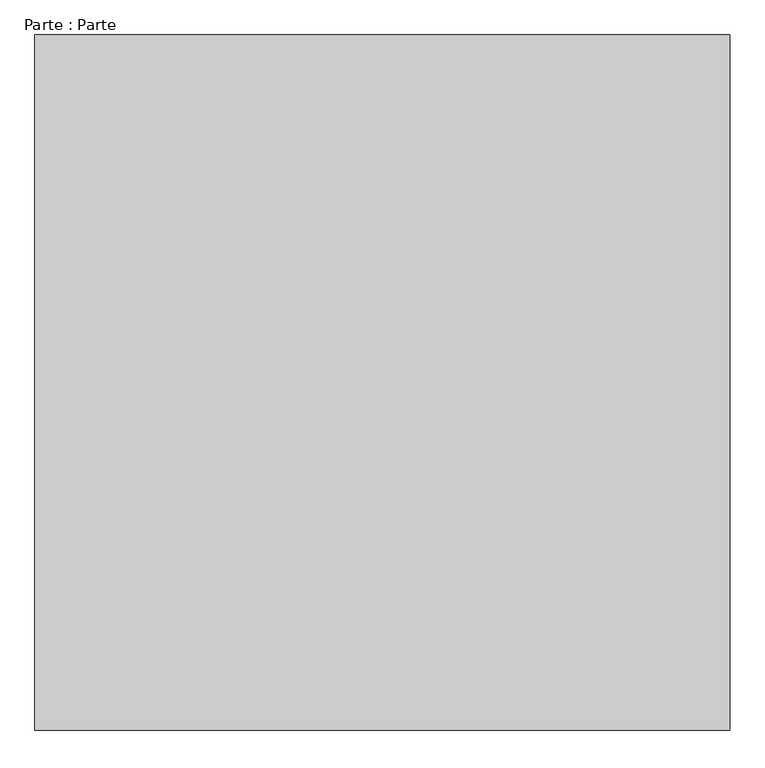
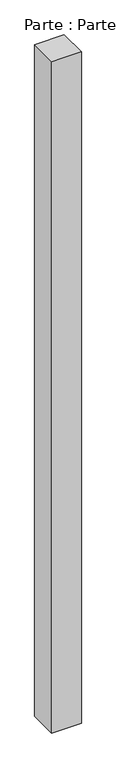
"""IFC4 building model written with IfcOpenShell, lengths in millimetres: proxy geometry, Parte : Parte."""

from ifc_helpers import new_model, si_unit, origin, origin_with_axes, place, context, project, spatial, polyline, outline, extrude, source, transform, mapped, element, save


def parte_parte_f90e92cf(model_context):
    return source(origin(), model_context, "Body", "SweptSolid", [
        extrude(outline(polyline([(293.1364616, 621.025111), (293.1364616, -378.974889), (-706.8635384, -378.974889), (-706.8635384, 621.025111), (293.1364616, 621.025111)])), origin_with_axes(), (0.0, 0.0, 1.0), 24000.0),
    ])


if __name__ == "__main__":
    model = new_model("IFC4")
    model_context = context("Model", 3, world=origin())
    ifc_project = project(units=[si_unit("LENGTHUNIT", "METRE", prefix="MILLI")], contexts=[model_context])
    site = spatial("IfcSite", under=ifc_project)
    building = spatial("IfcBuilding", under=site)
    placement = place(None, origin())
    parte_parte_shape = parte_parte_f90e92cf(model_context)
    element("IfcBuildingElementProxy", 1, Name="Parte : Parte", ObjectType="Parte : Parte", at=placement, inside=building, context=model_context, shape_type="MappedRepresentation", body=[
        mapped(parte_parte_shape, transform((0.0, 0.0, 0.0), x_axis=(1.0, 0.0, 0.0), y_axis=(0.0, 1.0, 0.0), z_axis=(0.0, 0.0, 1.0))),
    ])
    save(model, "model.ifc")
